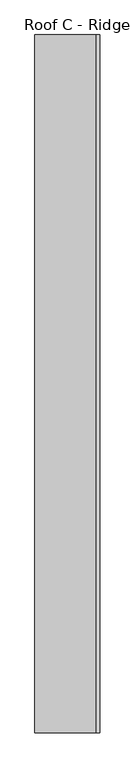
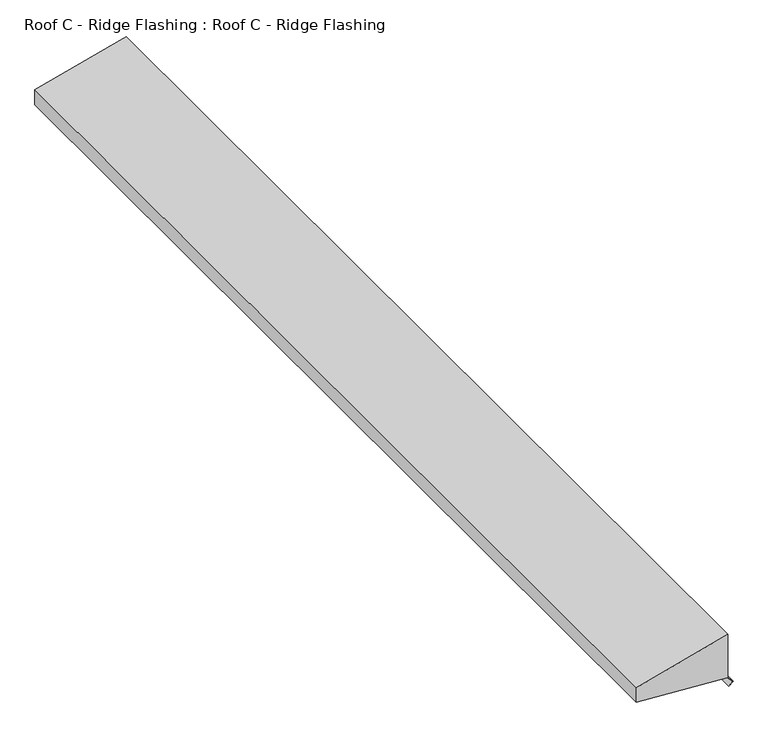
"""IFC4 building model written with IfcOpenShell, lengths in millimetres: proxy geometry, Roof C - Ridge Flashing : Roof C - Ridge Flashing."""

from ifc_helpers import new_model, si_unit, frame, origin, place, context, project, spatial, polyline, outline, extrude, source, transform, mapped, element, save


def roof_c_ridge_flashing_roof_c_ridge_flashing_e3446578(model_context):
    return source(origin(), model_context, "Body", "SweptSolid", [
        extrude(outline(polyline([(3967.9229545, 7321.4081038), (3905.4787487, 7088.363155), (3865.4787487, 7088.363155), (3850.5262936, 7320.4081038), (3836.7983716, 7334.1360259), (3826.8988766, 7324.2365309), (3826.1917698, 7324.9436377), (3836.7983716, 7335.5502394), (3850.9405072, 7321.4081038), (3967.9229545, 7321.4081038)])), frame((0.0, -2754.6928122, 0.0), z_axis=(0.0, 1.0, 0.0), x_axis=(0.0, 0.0, 1.0)), (0.0, 0.0, 1.0), 2665.4270476),
    ])


if __name__ == "__main__":
    model = new_model("IFC4")
    model_context = context("Model", 3, world=origin())
    ifc_project = project(units=[si_unit("LENGTHUNIT", "METRE", prefix="MILLI")], contexts=[model_context])
    site = spatial("IfcSite", under=ifc_project)
    building = spatial("IfcBuilding", under=site)
    placement = place(None, origin())
    roof_c_ridge_flashing_roof_c_ridge_flashing_shape = roof_c_ridge_flashing_roof_c_ridge_flashing_e3446578(model_context)
    element("IfcBuildingElementProxy", 1, Name="Roof C - Ridge Flashing : Roof C - Ridge Flashing", ObjectType="Roof C - Ridge Flashing : Roof C - Ridge Flashing", at=placement, inside=building, context=model_context, shape_type="MappedRepresentation", body=[
        mapped(roof_c_ridge_flashing_roof_c_ridge_flashing_shape, transform((0.0, 0.0, 0.0), x_axis=(1.0, 0.0, 0.0), y_axis=(0.0, 1.0, 0.0), z_axis=(0.0, 0.0, 1.0))),
    ])
    save(model, "model.ifc")
